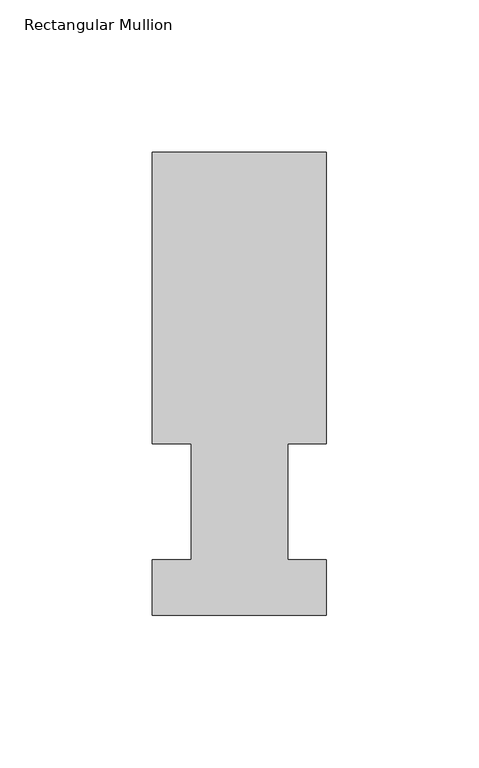
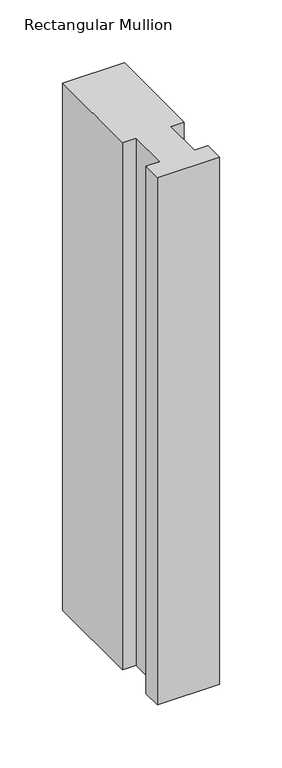
"""IFC4 building model written with IfcOpenShell, lengths in millimetres: member geometry, Rectangular Mullion."""

from ifc_helpers import new_model, si_unit, frame, origin, place, context, project, spatial, polyline, outline, extrude, source, transform, mapped, element, save


def rectangular_mullion_54d2075a(model_context):
    return source(origin(), model_context, "Body", "SweptSolid", [
        extrude(outline(polyline([(0.0, 151.98725), (0.0, 56.35625), (-12.7, 56.35625), (-12.7, 18.25625), (0.0, 18.25625), (0.0, -0.03175), (-57.15, -0.03175), (-57.15, 18.25625), (-44.45, 18.25625), (-44.45, 56.35625), (-57.15, 56.35625), (-57.15, 151.98725), (0.0, 151.98725)])), frame((0.0, 0.0, -514.3246), z_axis=(0.0, 0.0, 1.0), x_axis=(1.0, 0.0, 0.0)), (0.0, 0.0, 1.0), 514.3246),
    ])


if __name__ == "__main__":
    model = new_model("IFC4")
    model_context = context("Model", 3, world=origin())
    ifc_project = project(units=[si_unit("LENGTHUNIT", "METRE", prefix="MILLI")], contexts=[model_context])
    site = spatial("IfcSite", under=ifc_project)
    building = spatial("IfcBuilding", under=site)
    placement = place(None, origin())
    rectangular_mullion_shape = rectangular_mullion_54d2075a(model_context)
    element("IfcMember", 1, ObjectType="Rectangular Mullion", at=placement, inside=building, context=model_context, shape_type="MappedRepresentation", body=[
        mapped(rectangular_mullion_shape, transform((0.0, 0.0, 0.0), x_axis=(1.0, 0.0, 0.0), y_axis=(0.0, 1.0, 0.0), z_axis=(0.0, 0.0, 1.0))),
    ])
    save(model, "model.ifc")
